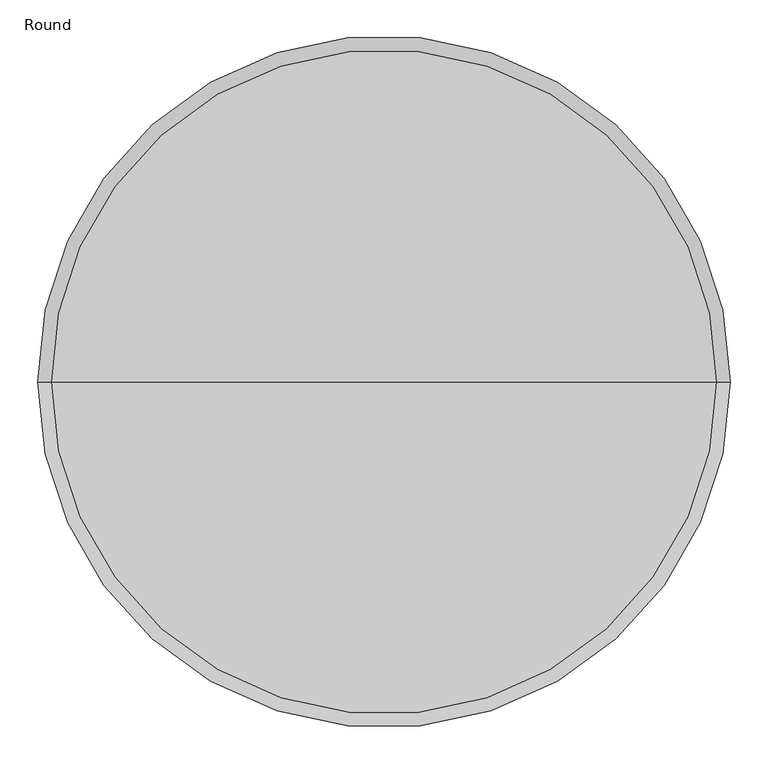
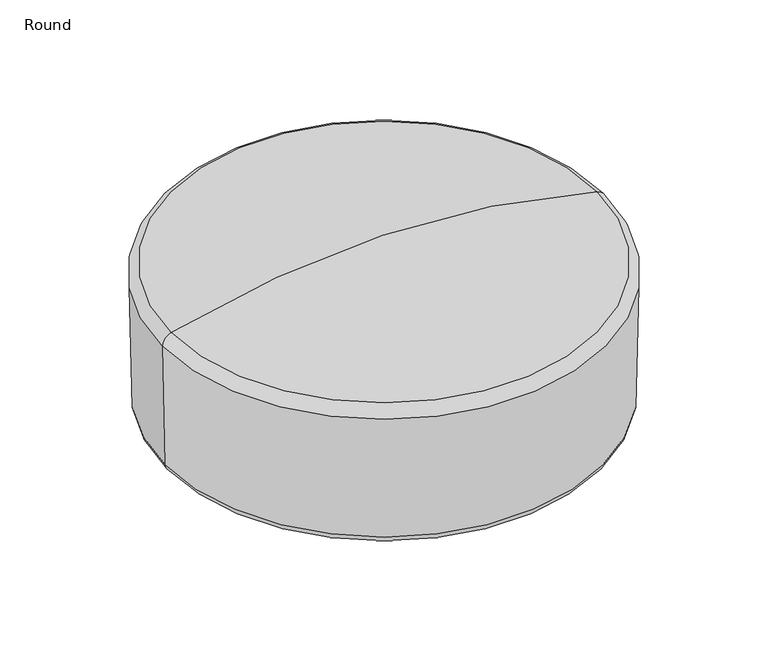
"""IFC4 building model written with IfcOpenShell, lengths in millimetres: furniture geometry, Round."""

from ifc_helpers import new_model, si_unit, point, frame, origin, place, context, project, spatial, polyline, circle_curve, ellipse_curve, trimmed, source, transform, mapped, element, save
from ifc_brep_helpers import plane_surface, cylinder_surface, revolved_surface, advanced_brep


def round_c396817c(model_context):
    return source(origin(), model_context, "Body", "AdvancedBrep", [
        advanced_brep(
        [(-0.3724311, -45.74721, 0.0), (10.2147776, -45.7352526, 0.0), (-10.9596398, -45.7591674, 0.0), (21.0723519, -45.7229898, 11.1625352), (-21.8172141, -45.7714302, 11.1625352), (21.0723519, -45.7229898, 45.7082974), (-21.8172141, -45.7714302, 45.7082974), (-0.3724311, -45.74721, 45.7082974)],
        [
            (0, 1),
            (1, 2, circle_curve(frame((-0.3724311, -45.74721, 0.0), z_axis=(0.0, 0.0, -1.0), x_axis=(0.9999993622047181, 0.00112942027486429, 0.0)), 10.5872154)),
            (2, 0),
            (2, 1, circle_curve(frame((-0.3724311, -45.74721, 0.0), z_axis=(0.0, 0.0, -1.0), x_axis=(0.9999993622047181, 0.00112942027486429, 0.0)), 10.5872154)),
            (1, 3),
            (3, 4, circle_curve(frame((-0.3724311, -45.74721, 11.1625352), z_axis=(0.0, 0.0, -1.0), x_axis=(0.9999993622047181, 0.00112942027486429, 0.0)), 21.4447967)),
            (4, 2),
            (4, 3, circle_curve(frame((-0.3724311, -45.74721, 11.1625352), z_axis=(0.0, 0.0, -1.0), x_axis=(0.9999993622047181, 0.00112942027486429, 0.0)), 21.4447967)),
            (3, 5),
            (5, 6, circle_curve(frame((-0.3724311, -45.74721, 45.7082974), z_axis=(0.0, 0.0, -1.0), x_axis=(0.9999993622047181, 0.00112942027486429, 0.0)), 21.4447967)),
            (6, 4),
            (6, 5, circle_curve(frame((-0.3724311, -45.74721, 45.7082974), z_axis=(0.0, 0.0, -1.0), x_axis=(0.9999993622047181, 0.00112942027486429, 0.0)), 21.4447967)),
            (5, 7),
            (7, 6),
        ],
        [
            plane_surface(frame((-0.3724311, -45.74721, 0.0), z_axis=(0.0, 0.0, -1.0000000000000002), x_axis=(0.9999993622047181, 0.00112942027486429, 0.0))),
            revolved_surface(polyline([(21.0723519, -45.7229898, 11.1625352), (10.2147776, -45.7352526, 0.0)]), (-0.3724311, -45.74721, 25.4), (0.0, 0.0, -1.0)),
            cylinder_surface(frame((-0.3724311, -45.74721, 25.4), z_axis=(0.0, 0.0, -1.0), x_axis=(0.9999993622047181, 0.00112942027486429, 0.0)), 21.4447967),
            plane_surface(frame((-0.3724311, -45.74721, 45.7082974), z_axis=(0.0, 0.0, 1.0000000000000002), x_axis=(0.9999993622047181, 0.00112942027486429, 0.0))),
        ],
        [
            (0, [[1, 2, 3]]),
            (0, [[-3, 4, -1]]),
            (1, [[-2, 5, 6, 7]]),
            (1, [[-4, -7, 8, -5]]),
            (2, [[-6, 9, 10, 11]]),
            (2, [[-8, -11, 12, -9]]),
            (3, [[-10, 13, 14]]),
            (3, [[-12, -14, -13]]),
        ],
    ),
        advanced_brep(
        [(-10.2147776, -705.2671902, 0.0), (10.9596398, -705.2432754, 0.0), (0.3724311, -705.2552328, 0.0), (-21.0723519, -705.279453, 11.1625352), (21.8172141, -705.2310126, 11.1625352), (-21.0723519, -705.279453, 45.7082974), (21.8172141, -705.2310126, 45.7082974), (0.3724311, -705.2552328, 45.7082974)],
        [
            (0, 1, circle_curve(frame((0.3724311, -705.2552328, 0.0), z_axis=(0.0, 0.0, -1.0), x_axis=(0.9999993622047181, 0.00112942027486429, 0.0)), 10.5872154)),
            (1, 2),
            (2, 0),
            (1, 0, circle_curve(frame((0.3724311, -705.2552328, 0.0), z_axis=(0.0, 0.0, -1.0), x_axis=(0.9999993622047181, 0.00112942027486429, 0.0)), 10.5872154)),
            (3, 4, circle_curve(frame((0.3724311, -705.2552328, 11.1625352), z_axis=(0.0, 0.0, -1.0), x_axis=(0.9999993622047181, 0.00112942027486429, 0.0)), 21.4447967)),
            (4, 1),
            (0, 3),
            (4, 3, circle_curve(frame((0.3724311, -705.2552328, 11.1625352), z_axis=(0.0, 0.0, -1.0), x_axis=(0.9999993622047181, 0.00112942027486429, 0.0)), 21.4447967)),
            (5, 6, circle_curve(frame((0.3724311, -705.2552328, 45.7082974), z_axis=(0.0, 0.0, -1.0), x_axis=(0.9999993622047181, 0.00112942027486429, 0.0)), 21.4447967)),
            (6, 4),
            (3, 5),
            (6, 5, circle_curve(frame((0.3724311, -705.2552328, 45.7082974), z_axis=(0.0, 0.0, -1.0), x_axis=(0.9999993622047181, 0.00112942027486429, 0.0)), 21.4447967)),
            (7, 6),
            (5, 7),
        ],
        [
            plane_surface(frame((0.3724311, -705.2552328, 0.0), z_axis=(0.0, 0.0, -1.0000000000000002), x_axis=(0.9999993622047181, 0.00112942027486429, 0.0))),
            revolved_surface(polyline([(10.9596398, -705.2432754, 0.0), (21.8172141, -705.2310126, 11.1625352)]), (0.3724311, -705.2552328, 25.4), (0.0, 0.0, 1.0)),
            cylinder_surface(frame((0.3724311, -705.2552328, 25.4), z_axis=(0.0, 0.0, 1.0), x_axis=(0.9999993622047181, 0.00112942027486429, 0.0)), 21.4447967),
            plane_surface(frame((0.3724311, -705.2552328, 45.7082974), z_axis=(0.0, 0.0, 1.0000000000000002), x_axis=(0.9999993622047181, 0.00112942027486429, 0.0))),
        ],
        [
            (0, [[1, 2, 3]]),
            (0, [[4, -3, -2]]),
            (1, [[5, 6, -1, 7]]),
            (1, [[8, -7, -4, -6]]),
            (2, [[9, 10, -5, 11]]),
            (2, [[12, -11, -8, -10]]),
            (3, [[13, -9, 14]]),
            (3, [[-14, -12, -13]]),
        ],
    ),
        advanced_brep(
        [(-329.7542217, -375.5012214, 0.0), (-329.7542217, -364.914006, 0.0), (-329.7542217, -386.0884369, 0.0), (-329.7542217, -354.0564247, 11.1625352), (-329.7542217, -396.9460181, 11.1625352), (-329.7542217, -354.0564247, 45.7082974), (-329.7542217, -396.9460181, 45.7082974), (-329.7542217, -375.5012214, 45.7082974)],
        [
            (0, 1),
            (1, 2, circle_curve(frame((-329.7542217, -375.5012214, 0.0), z_axis=(0.0, 0.0, -1.0), x_axis=(0.0, 1.0, 0.0)), 10.5872154)),
            (2, 0),
            (2, 1, circle_curve(frame((-329.7542217, -375.5012214, 0.0), z_axis=(0.0, 0.0, -1.0), x_axis=(0.0, 1.0, 0.0)), 10.5872154)),
            (1, 3),
            (3, 4, circle_curve(frame((-329.7542217, -375.5012214, 11.1625352), z_axis=(0.0, 0.0, -1.0), x_axis=(0.0, 1.0, 0.0)), 21.4447967)),
            (4, 2),
            (4, 3, circle_curve(frame((-329.7542217, -375.5012214, 11.1625352), z_axis=(0.0, 0.0, -1.0), x_axis=(0.0, 1.0, 0.0)), 21.4447967)),
            (3, 5),
            (5, 6, circle_curve(frame((-329.7542217, -375.5012214, 45.7082974), z_axis=(0.0, 0.0, -1.0), x_axis=(0.0, 1.0, 0.0)), 21.4447967)),
            (6, 4),
            (6, 5, circle_curve(frame((-329.7542217, -375.5012214, 45.7082974), z_axis=(0.0, 0.0, -1.0), x_axis=(0.0, 1.0, 0.0)), 21.4447967)),
            (5, 7),
            (7, 6),
        ],
        [
            plane_surface(frame((-329.7542217, -375.5012214, 0.0), z_axis=(0.0, 0.0, -1.0), x_axis=(0.0, 1.0, 0.0))),
            revolved_surface(polyline([(-329.7542217, -354.0564247, 11.1625352), (-329.7542217, -364.914006, 0.0)]), (-329.7542217, -375.5012214, 25.4), (0.0, 0.0, -1.0)),
            cylinder_surface(frame((-329.7542217, -375.5012214, 25.4), z_axis=(0.0, 0.0, -1.0), x_axis=(0.0, 1.0, 0.0)), 21.4447967),
            plane_surface(frame((-329.7542217, -375.5012214, 45.7082974), z_axis=(0.0, 0.0, 1.0), x_axis=(0.0, 1.0, 0.0))),
        ],
        [
            (0, [[1, 2, 3]]),
            (0, [[-3, 4, -1]]),
            (1, [[-2, 5, 6, 7]]),
            (1, [[-4, -7, 8, -5]]),
            (2, [[-6, 9, 10, 11]]),
            (2, [[-8, -11, 12, -9]]),
            (3, [[-10, 13, 14]]),
            (3, [[-12, -14, -13]]),
        ],
    ),
        advanced_brep(
        [(329.7542217, -386.0884369, 0.0), (329.7542217, -364.914006, 0.0), (329.7542217, -375.5012214, 0.0), (329.7542217, -396.9460181, 11.1625352), (329.7542217, -354.0564247, 11.1625352), (329.7542217, -396.9460181, 45.7082974), (329.7542217, -354.0564247, 45.7082974), (329.7542217, -375.5012214, 45.7082974)],
        [
            (0, 1, circle_curve(frame((329.7542217, -375.5012214, 0.0), z_axis=(0.0, 0.0, -1.0), x_axis=(0.0, 1.0, 0.0)), 10.5872154)),
            (1, 2),
            (2, 0),
            (1, 0, circle_curve(frame((329.7542217, -375.5012214, 0.0), z_axis=(0.0, 0.0, -1.0), x_axis=(0.0, 1.0, 0.0)), 10.5872154)),
            (3, 4, circle_curve(frame((329.7542217, -375.5012214, 11.1625352), z_axis=(0.0, 0.0, -1.0), x_axis=(0.0, 1.0, 0.0)), 21.4447967)),
            (4, 1),
            (0, 3),
            (4, 3, circle_curve(frame((329.7542217, -375.5012214, 11.1625352), z_axis=(0.0, 0.0, -1.0), x_axis=(0.0, 1.0, 0.0)), 21.4447967)),
            (5, 6, circle_curve(frame((329.7542217, -375.5012214, 45.7082974), z_axis=(0.0, 0.0, -1.0), x_axis=(0.0, 1.0, 0.0)), 21.4447967)),
            (6, 4),
            (3, 5),
            (6, 5, circle_curve(frame((329.7542217, -375.5012214, 45.7082974), z_axis=(0.0, 0.0, -1.0), x_axis=(0.0, 1.0, 0.0)), 21.4447967)),
            (7, 6),
            (5, 7),
        ],
        [
            plane_surface(frame((329.7542217, -375.5012214, 0.0), z_axis=(0.0, 0.0, -1.0), x_axis=(0.0, 1.0, 0.0))),
            revolved_surface(polyline([(329.7542217, -364.914006, 0.0), (329.7542217, -354.0564247, 11.1625352)]), (329.7542217, -375.5012214, 25.4), (0.0, 0.0, 1.0)),
            cylinder_surface(frame((329.7542217, -375.5012214, 25.4), z_axis=(0.0, 0.0, 1.0), x_axis=(0.0, 1.0, 0.0)), 21.4447967),
            plane_surface(frame((329.7542217, -375.5012214, 45.7082974), z_axis=(0.0, 0.0, 1.0), x_axis=(0.0, 1.0, 0.0))),
        ],
        [
            (0, [[1, 2, 3]]),
            (0, [[4, -3, -2]]),
            (1, [[5, 6, -1, 7]]),
            (1, [[8, -7, -4, -6]]),
            (2, [[9, 10, -5, 11]]),
            (2, [[12, -11, -8, -10]]),
            (3, [[13, -9, 14]]),
            (3, [[-14, -12, -13]]),
        ],
    ),
        advanced_brep(
        [(-5.0, -377.0141881, 41.3630951), (-437.6937423, -377.0141881, 39.3168864), (427.6937423, -377.0141881, 39.3168864), (434.5468823, -377.0141881, 340.9458708), (-444.5468823, -377.0141881, 340.9458708), (-5.0, -377.0141881, 400.2204833), (452.9910751, -377.0141881, 318.2390937), (-462.9910751, -377.0141881, 318.2390937), (447.7962324, -377.0141881, 57.3783408), (-457.7962324, -377.0141881, 57.3783408)],
        [
            (0, 1, circle_curve(frame((-20.7213042, -377.0141881, -42384.1820674), z_axis=(0.0, -1.0, 0.0), x_axis=(-1.0, 0.0, 0.0)), 42425.5480753)),
            (1, 2, circle_curve(frame((-5.0, -377.0141881, 39.3168864), z_axis=(0.0, 0.0, -1.0), x_axis=(-1.0, 0.0, 0.0)), 432.6937423)),
            (2, 0, circle_curve(frame((10.7213042, -377.0141881, -42384.1820674), z_axis=(0.0, -1.0, 0.0), x_axis=(1.0, 0.0, 0.0)), 42425.5480753)),
            (2, 1, circle_curve(frame((-5.0, -377.0141881, 39.3168864), z_axis=(0.0, 0.0, -1.0), x_axis=(-1.0, 0.0, 0.0)), 432.6937423)),
            (3, 4, circle_curve(frame((-5.0, -377.0141881, 340.9458708), z_axis=(0.0, 0.0, 1.0), x_axis=(-1.0, 0.0, 0.0)), 439.5468823)),
            (4, 5, circle_curve(frame((2.6372773, -377.0141881, -1315.7656335), z_axis=(0.0, 1.0, 0.0), x_axis=(-1.0, 0.0, 0.0)), 1716.0031122)),
            (5, 3, circle_curve(frame((-12.6372773, -377.0141881, -1315.7656335), z_axis=(0.0, 1.0, 0.0), x_axis=(1.0, 0.0, 0.0)), 1716.0031122)),
            (4, 3, circle_curve(frame((-5.0, -377.0141881, 340.9458708), z_axis=(0.0, 0.0, 1.0), x_axis=(-1.0, 0.0, 0.0)), 439.5468823)),
            (6, 7, circle_curve(frame((-5.0, -377.0141881, 318.2390937), z_axis=(0.0, 0.0, 1.0), x_axis=(-1.0, 0.0, 0.0)), 457.9910751)),
            (7, 4, circle_curve(frame((-438.0319733, -377.0141881, 316.8096747), z_axis=(0.0, 1.0, 0.0), x_axis=(-1.0, 0.0, 0.0)), 25.0)),
            (3, 6, circle_curve(frame((428.0319733, -377.0141881, 316.8096747), z_axis=(0.0, 1.0, 0.0), x_axis=(1.0, 0.0, 0.0)), 25.0)),
            (7, 6, circle_curve(frame((-5.0, -377.0141881, 318.2390937), z_axis=(0.0, 0.0, 1.0), x_axis=(-1.0, 0.0, 0.0)), 457.9910751)),
            (8, 9, circle_curve(frame((-5.0, -377.0141881, 57.3783408), z_axis=(0.0, 0.0, 1.0), x_axis=(-1.0, 0.0, 0.0)), 452.7962324)),
            (9, 7, circle_curve(frame((1227.5269419, -377.0141881, 221.4223673), z_axis=(0.0, 1.0, 0.0), x_axis=(-1.0, 0.0, 0.0)), 1693.2881161)),
            (6, 8, circle_curve(frame((-1237.5269419, -377.0141881, 221.4223673), z_axis=(0.0, 1.0, 0.0), x_axis=(1.0, 0.0, 0.0)), 1693.2881161)),
            (9, 8, circle_curve(frame((-5.0, -377.0141881, 57.3783408), z_axis=(0.0, 0.0, 1.0), x_axis=(-1.0, 0.0, 0.0)), 452.7962324)),
            (1, 9, circle_curve(frame((-437.890309, -377.0141881, 59.3159204), z_axis=(0.0, 1.0, 0.0), x_axis=(-1.0, 0.0, 0.0)), 20.0)),
            (8, 2, circle_curve(frame((427.890309, -377.0141881, 59.3159204), z_axis=(0.0, 1.0, 0.0), x_axis=(1.0, 0.0, 0.0)), 20.0)),
        ],
        [
            revolved_surface(trimmed(ellipse_curve(frame((-20.7213042, -377.0141881, -42384.1820674), z_axis=(0.0, 1.0, 0.0), x_axis=(-1.0, 0.0, 0.0)), 42425.5480753, 42425.5480753), [point((-437.6937423, -377.0141881, 39.3168864))], [point((-5.0, -377.0141881, 41.3630951))], True, "CARTESIAN"), (-5.0, -377.0141881, 55.4563534), (0.0, 0.0, -1.0)),
            revolved_surface(trimmed(ellipse_curve(frame((2.6372773, -377.0141881, -1315.7656335), z_axis=(0.0, -1.0, 0.0), x_axis=(-1.0, 0.0, 0.0)), 1716.0031122, 1716.0031122), [point((-5.0, -377.0141881, 400.2204833))], [point((-444.5468823, -377.0141881, 340.9458708))], True, "CARTESIAN"), (-5.0, -377.0141881, 55.4563534), (0.0, 0.0, -1.0)),
            revolved_surface(trimmed(ellipse_curve(frame((-438.0319733, -377.0141881, 316.8096747), z_axis=(0.0, -1.0, 0.0), x_axis=(-1.0, 0.0, 0.0)), 25.0, 25.0), [point((-444.5468823, -377.0141881, 340.9458708))], [point((-462.9910751, -377.0141881, 318.2390937))], True, "CARTESIAN"), (-5.0, -377.0141881, 55.4563534), (0.0, 0.0, -1.0)),
            revolved_surface(trimmed(ellipse_curve(frame((1227.5269419, -377.0141881, 221.4223673), z_axis=(0.0, -1.0, 0.0), x_axis=(-1.0, 0.0, 0.0)), 1693.2881161, 1693.2881161), [point((-462.9910751, -377.0141881, 318.2390937))], [point((-457.7962324, -377.0141881, 57.3783408))], True, "CARTESIAN"), (-5.0, -377.0141881, 55.4563534), (0.0, 0.0, -1.0)),
            revolved_surface(trimmed(ellipse_curve(frame((-437.890309, -377.0141881, 59.3159204), z_axis=(0.0, -1.0, 0.0), x_axis=(-1.0, 0.0, 0.0)), 20.0, 20.0), [point((-457.7962324, -377.0141881, 57.3783408))], [point((-437.6937423, -377.0141881, 39.3168864))], True, "CARTESIAN"), (-5.0, -377.0141881, 55.4563534), (0.0, 0.0, -1.0)),
        ],
        [
            (0, [[1, 2, 3]]),
            (0, [[-3, 4, -1]]),
            (1, [[5, 6, 7]]),
            (1, [[8, -7, -6]]),
            (2, [[9, 10, -5, 11]]),
            (2, [[12, -11, -8, -10]]),
            (3, [[13, 14, -9, 15]]),
            (3, [[16, -15, -12, -14]]),
            (4, [[-2, 17, -13, 18]]),
            (4, [[-4, -18, -16, -17]]),
        ],
    ),
    ])


if __name__ == "__main__":
    model = new_model("IFC4")
    model_context = context("Model", 3, world=origin())
    ifc_project = project(units=[si_unit("LENGTHUNIT", "METRE", prefix="MILLI")], contexts=[model_context])
    site = spatial("IfcSite", under=ifc_project)
    building = spatial("IfcBuilding", under=site)
    placement = place(None, origin())
    ifc_round_shape = round_c396817c(model_context)
    element("IfcFurniture", 1, ObjectType="Round", at=placement, inside=building, context=model_context, shape_type="MappedRepresentation", body=[
        mapped(ifc_round_shape, transform((0.0, 0.0, 0.0), x_axis=(1.0, 0.0, 0.0), y_axis=(0.0, 1.0, 0.0), z_axis=(0.0, 0.0, 1.0))),
    ])
    save(model, "model.ifc")
